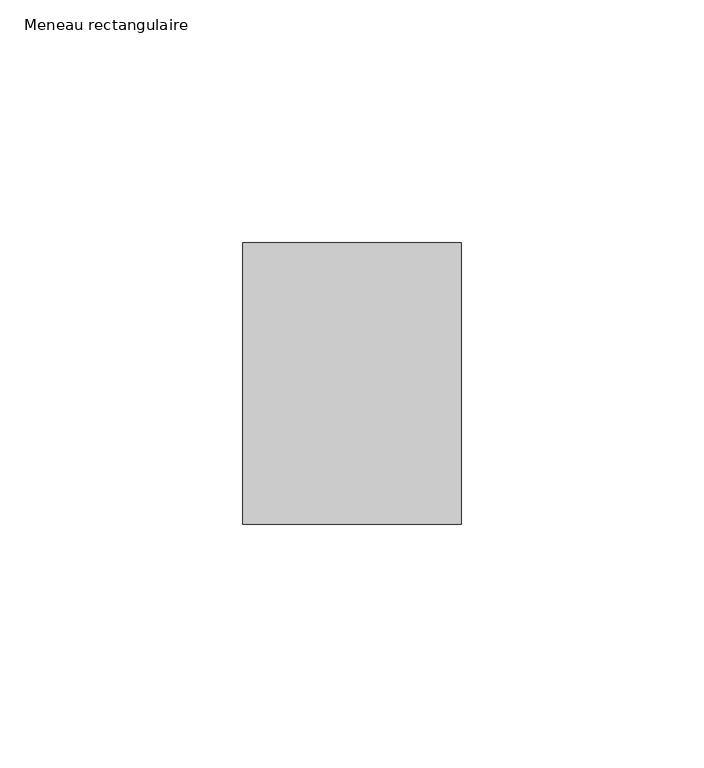
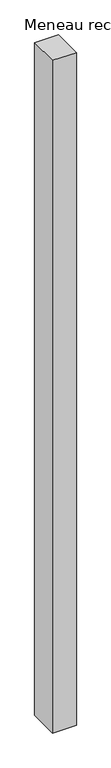
"""IFC4 building model written with IfcOpenShell, lengths in millimetres: member geometry, Meneau rectangulaire."""

from ifc_helpers import new_model, si_unit, frame, origin, place, context, project, spatial, polyline, outline, extrude, source, transform, mapped, element, save


def meneau_rectangulaire_d4f487c3(model_context):
    return source(origin(), model_context, "Body", "SweptSolid", [
        extrude(outline(polyline([(-45.0, 29.0), (0.0, 29.0), (0.0, -29.0), (-45.0, -29.0), (-45.0, 29.0)])), frame((0.0, 0.0, -1340.1666666), z_axis=(0.0, 0.0, 1.0), x_axis=(1.0, 0.0, 0.0)), (0.0, 0.0, 1.0), 1340.1666666),
    ])


if __name__ == "__main__":
    model = new_model("IFC4")
    model_context = context("Model", 3, world=origin())
    ifc_project = project(units=[si_unit("LENGTHUNIT", "METRE", prefix="MILLI")], contexts=[model_context])
    site = spatial("IfcSite", under=ifc_project)
    building = spatial("IfcBuilding", under=site)
    placement = place(None, origin())
    meneau_rectangulaire_shape = meneau_rectangulaire_d4f487c3(model_context)
    element("IfcMember", 1, ObjectType="Meneau rectangulaire", at=placement, inside=building, context=model_context, shape_type="MappedRepresentation", body=[
        mapped(meneau_rectangulaire_shape, transform((0.0, 0.0, 0.0), x_axis=(1.0, 0.0, 0.0), y_axis=(0.0, 1.0, 0.0), z_axis=(0.0, 0.0, 1.0))),
    ])
    save(model, "model.ifc")
